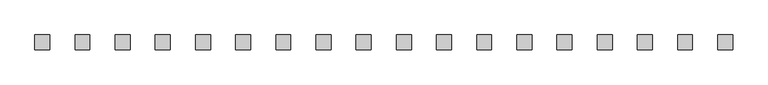
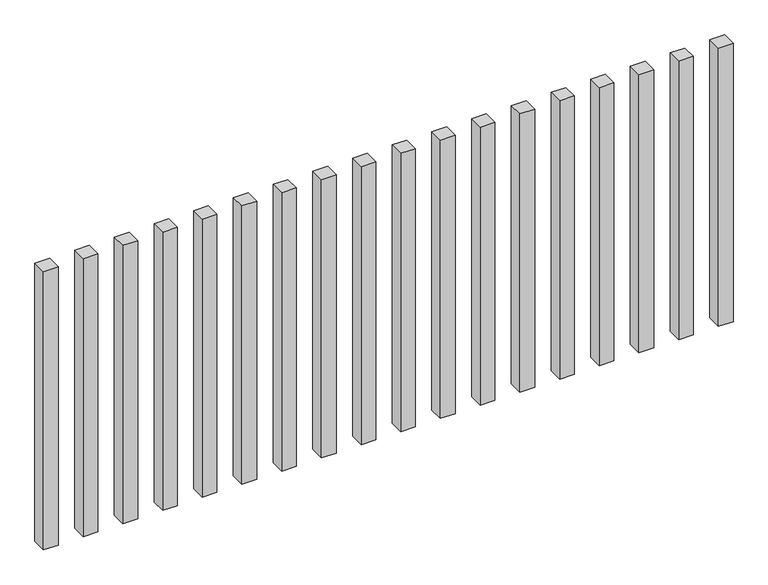
"""IFC4 building model written with IfcOpenShell, lengths in millimetres: railing geometry."""

from ifc_helpers import new_model, si_unit, origin, origin_with_axes, place, context, project, spatial, polyline, outline, extrude, source, transform, mapped, element, save


def railing_48690707(model_context):
    return source(origin(), model_context, "Body", "SweptSolid", [
        extrude(outline(polyline([(-15507.5700772, -81954.0267127), (-15507.5700772, -81904.0267127), (-15457.5700772, -81904.0267127), (-15457.5700772, -81954.0267127), (-15507.5700772, -81954.0267127)])), origin_with_axes(), (0.0, 0.0, 1.0), 1000.0),
        extrude(outline(polyline([(-15642.5700772, -81954.0267127), (-15642.5700772, -81904.0267127), (-15592.5700772, -81904.0267127), (-15592.5700772, -81954.0267127), (-15642.5700772, -81954.0267127)])), origin_with_axes(), (0.0, 0.0, 1.0), 1000.0),
        extrude(outline(polyline([(-15777.5700772, -81954.0267127), (-15777.5700772, -81904.0267127), (-15727.5700772, -81904.0267127), (-15727.5700772, -81954.0267127), (-15777.5700772, -81954.0267127)])), origin_with_axes(), (0.0, 0.0, 1.0), 1000.0),
        extrude(outline(polyline([(-15912.5700772, -81954.0267127), (-15912.5700772, -81904.0267127), (-15862.5700772, -81904.0267127), (-15862.5700772, -81954.0267127), (-15912.5700772, -81954.0267127)])), origin_with_axes(), (0.0, 0.0, 1.0), 1000.0),
        extrude(outline(polyline([(-16047.5700772, -81954.0267127), (-16047.5700772, -81904.0267127), (-15997.5700772, -81904.0267127), (-15997.5700772, -81954.0267127), (-16047.5700772, -81954.0267127)])), origin_with_axes(), (0.0, 0.0, 1.0), 1000.0),
        extrude(outline(polyline([(-16182.5700772, -81954.0267127), (-16182.5700772, -81904.0267127), (-16132.5700772, -81904.0267127), (-16132.5700772, -81954.0267127), (-16182.5700772, -81954.0267127)])), origin_with_axes(), (0.0, 0.0, 1.0), 1000.0),
        extrude(outline(polyline([(-16317.5700772, -81954.0267127), (-16317.5700772, -81904.0267127), (-16267.5700772, -81904.0267127), (-16267.5700772, -81954.0267127), (-16317.5700772, -81954.0267127)])), origin_with_axes(), (0.0, 0.0, 1.0), 1000.0),
        extrude(outline(polyline([(-16452.5700772, -81954.0267127), (-16452.5700772, -81904.0267127), (-16402.5700772, -81904.0267127), (-16402.5700772, -81954.0267127), (-16452.5700772, -81954.0267127)])), origin_with_axes(), (0.0, 0.0, 1.0), 1000.0),
        extrude(outline(polyline([(-16587.5700772, -81954.0267127), (-16587.5700772, -81904.0267127), (-16537.5700772, -81904.0267127), (-16537.5700772, -81954.0267127), (-16587.5700772, -81954.0267127)])), origin_with_axes(), (0.0, 0.0, 1.0), 1000.0),
        extrude(outline(polyline([(-16722.5700772, -81954.0267127), (-16722.5700772, -81904.0267127), (-16672.5700772, -81904.0267127), (-16672.5700772, -81954.0267127), (-16722.5700772, -81954.0267127)])), origin_with_axes(), (0.0, 0.0, 1.0), 1000.0),
        extrude(outline(polyline([(-16857.5700772, -81954.0267127), (-16857.5700772, -81904.0267127), (-16807.5700772, -81904.0267127), (-16807.5700772, -81954.0267127), (-16857.5700772, -81954.0267127)])), origin_with_axes(), (0.0, 0.0, 1.0), 1000.0),
        extrude(outline(polyline([(-16992.5700772, -81954.0267127), (-16992.5700772, -81904.0267127), (-16942.5700772, -81904.0267127), (-16942.5700772, -81954.0267127), (-16992.5700772, -81954.0267127)])), origin_with_axes(), (0.0, 0.0, 1.0), 1000.0),
        extrude(outline(polyline([(-17127.5700772, -81954.0267127), (-17127.5700772, -81904.0267127), (-17077.5700772, -81904.0267127), (-17077.5700772, -81954.0267127), (-17127.5700772, -81954.0267127)])), origin_with_axes(), (0.0, 0.0, 1.0), 1000.0),
        extrude(outline(polyline([(-17262.5700772, -81954.0267127), (-17262.5700772, -81904.0267127), (-17212.5700772, -81904.0267127), (-17212.5700772, -81954.0267127), (-17262.5700772, -81954.0267127)])), origin_with_axes(), (0.0, 0.0, 1.0), 1000.0),
        extrude(outline(polyline([(-17397.5700772, -81954.0267127), (-17397.5700772, -81904.0267127), (-17347.5700772, -81904.0267127), (-17347.5700772, -81954.0267127), (-17397.5700772, -81954.0267127)])), origin_with_axes(), (0.0, 0.0, 1.0), 1000.0),
        extrude(outline(polyline([(-17532.5700772, -81954.0267127), (-17532.5700772, -81904.0267127), (-17482.5700772, -81904.0267127), (-17482.5700772, -81954.0267127), (-17532.5700772, -81954.0267127)])), origin_with_axes(), (0.0, 0.0, 1.0), 1000.0),
        extrude(outline(polyline([(-17667.5700772, -81954.0267127), (-17667.5700772, -81904.0267127), (-17617.5700772, -81904.0267127), (-17617.5700772, -81954.0267127), (-17667.5700772, -81954.0267127)])), origin_with_axes(), (0.0, 0.0, 1.0), 1000.0),
        extrude(outline(polyline([(-17802.5700772, -81954.0267127), (-17802.5700772, -81904.0267127), (-17752.5700772, -81904.0267127), (-17752.5700772, -81954.0267127), (-17802.5700772, -81954.0267127)])), origin_with_axes(), (0.0, 0.0, 1.0), 1000.0),
    ])


if __name__ == "__main__":
    model = new_model("IFC4")
    model_context = context("Model", 3, world=origin())
    ifc_project = project(units=[si_unit("LENGTHUNIT", "METRE", prefix="MILLI")], contexts=[model_context])
    site = spatial("IfcSite", under=ifc_project)
    building = spatial("IfcBuilding", under=site)
    placement = place(None, origin())
    railing_shape = railing_48690707(model_context)
    element("IfcRailing", 1, at=placement, inside=building, context=model_context, shape_type="MappedRepresentation", body=[
        mapped(railing_shape, transform((0.0, 0.0, 0.0), x_axis=(1.0, 0.0, 0.0), y_axis=(0.0, 1.0, 0.0), z_axis=(0.0, 0.0, 1.0))),
    ])
    save(model, "model.ifc")
